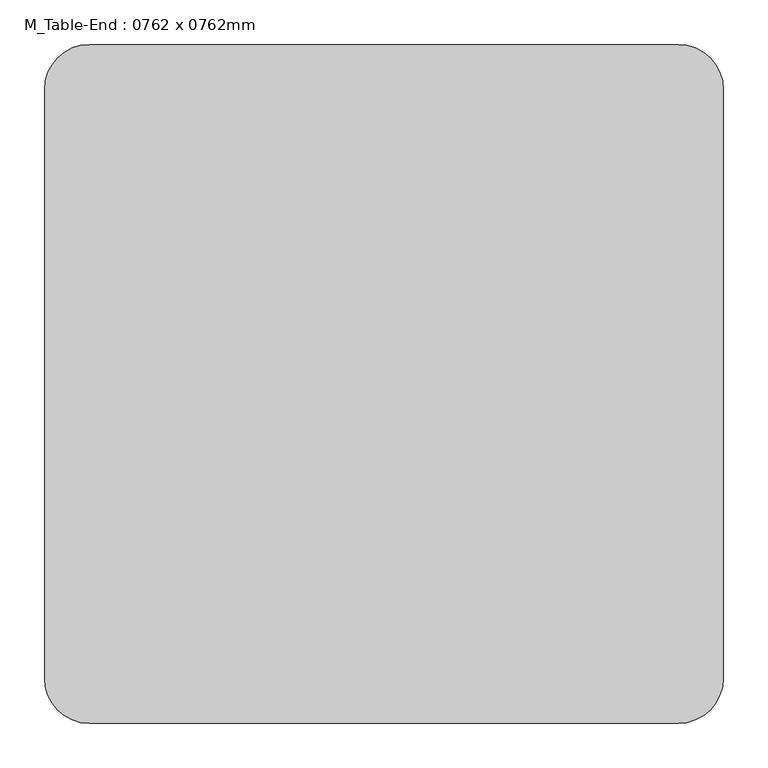
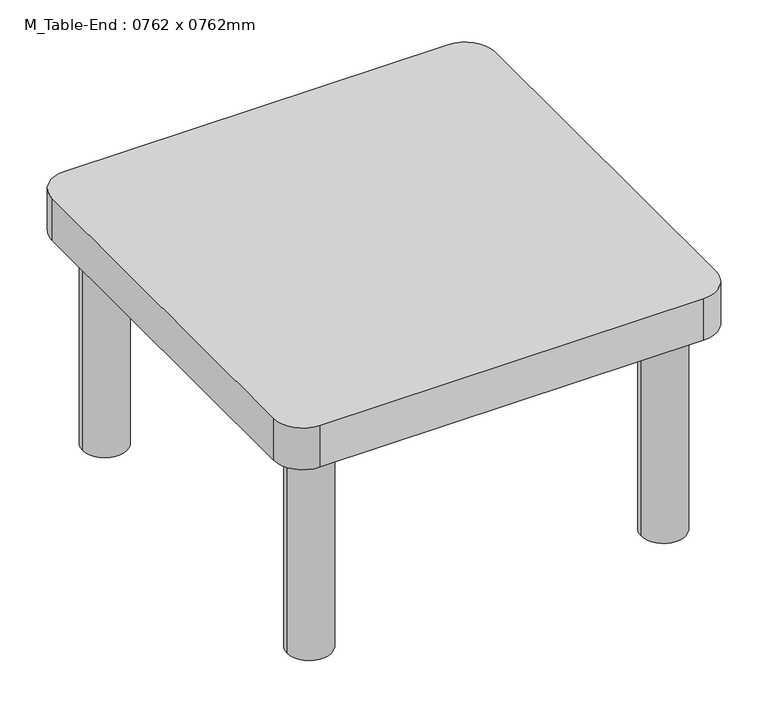
"""IFC4 building model written with IfcOpenShell, lengths in millimetres: furniture geometry, M_Table-End : 0762 x 0762mm."""

from ifc_helpers import new_model, si_unit, point, frame, frame_2d, origin, origin_with_axes, place, context, project, spatial, polyline, circle_curve, trimmed, segment, composite_curve, outline, extrude, source, transform, mapped, element, save


def m_table_end_0762_x_0762mm_a995287c(model_context):
    return source(origin(), model_context, "Body", "SweptSolid", [
        extrude(outline(composite_curve([segment(polyline([(714.9336303, -228.6), (54.5336303, -228.6)]), True, "CONTINUOUS"), segment(trimmed(circle_curve(frame_2d((54.5336303, -177.8)), 50.8), [point((54.5336303, -228.6))], [point((3.7336303, -177.8))], False, "CARTESIAN"), True, "CONTINUOUS"), segment(polyline([(3.7336303, -177.8), (3.7336303, 482.6)]), True, "CONTINUOUS"), segment(trimmed(circle_curve(frame_2d((54.5336303, 482.6)), 50.8), [point((3.7336303, 482.6))], [point((54.5336303, 533.4))], False, "CARTESIAN"), True, "CONTINUOUS"), segment(polyline([(54.5336303, 533.4), (714.9336303, 533.4)]), True, "CONTINUOUS"), segment(trimmed(circle_curve(frame_2d((714.9336303, 482.6)), 50.8), [point((714.9336303, 533.4))], [point((765.7336303, 482.6))], False, "CARTESIAN"), True, "CONTINUOUS"), segment(polyline([(765.7336303, 482.6), (765.7336303, -177.8)]), True, "CONTINUOUS"), segment(trimmed(circle_curve(frame_2d((714.9336303, -177.8)), 50.8), [point((765.7336303, -177.8))], [point((714.9336303, -228.6))], False, "CARTESIAN"), True, "CONTINUOUS")], self_intersect=False)), frame((0.0, 0.0, 380.8), z_axis=(0.0, 0.0, 1.0), x_axis=(1.0, 0.0, 0.0)), (0.0, 0.0, 1.0), 76.2),
        extrude(outline(composite_curve([segment(trimmed(circle_curve(frame_2d((79.9336303, 457.2)), 38.1), [point((41.8336303, 457.2))], [point((118.0336303, 457.2))], False, "CARTESIAN"), True, "CONTINUOUS"), segment(trimmed(circle_curve(frame_2d((79.9336303, 457.2)), 38.1), [point((118.0336303, 457.2))], [point((41.8336303, 457.2))], False, "CARTESIAN"), True, "CONTINUOUS")], self_intersect=False)), origin_with_axes(), (0.0, 0.0, 1.0), 380.8),
        extrude(outline(composite_curve([segment(trimmed(circle_curve(frame_2d((79.9336303, -152.4)), 38.1), [point((41.8336303, -152.4))], [point((118.0336303, -152.4))], False, "CARTESIAN"), True, "CONTINUOUS"), segment(trimmed(circle_curve(frame_2d((79.9336303, -152.4)), 38.1), [point((118.0336303, -152.4))], [point((41.8336303, -152.4))], False, "CARTESIAN"), True, "CONTINUOUS")], self_intersect=False)), origin_with_axes(), (0.0, 0.0, 1.0), 380.8),
        extrude(outline(composite_curve([segment(trimmed(circle_curve(frame_2d((689.5336303, -152.4)), 38.1), [point((651.4336303, -152.4))], [point((727.6336303, -152.4))], False, "CARTESIAN"), True, "CONTINUOUS"), segment(trimmed(circle_curve(frame_2d((689.5336303, -152.4)), 38.1), [point((727.6336303, -152.4))], [point((651.4336303, -152.4))], False, "CARTESIAN"), True, "CONTINUOUS")], self_intersect=False)), origin_with_axes(), (0.0, 0.0, 1.0), 380.8),
        extrude(outline(composite_curve([segment(trimmed(circle_curve(frame_2d((689.5336303, 457.2)), 38.1), [point((651.4336303, 457.2))], [point((727.6336303, 457.2))], False, "CARTESIAN"), True, "CONTINUOUS"), segment(trimmed(circle_curve(frame_2d((689.5336303, 457.2)), 38.1), [point((727.6336303, 457.2))], [point((651.4336303, 457.2))], False, "CARTESIAN"), True, "CONTINUOUS")], self_intersect=False)), origin_with_axes(), (0.0, 0.0, 1.0), 380.8),
    ])


if __name__ == "__main__":
    model = new_model("IFC4")
    model_context = context("Model", 3, world=origin())
    ifc_project = project(units=[si_unit("LENGTHUNIT", "METRE", prefix="MILLI")], contexts=[model_context])
    site = spatial("IfcSite", under=ifc_project)
    building = spatial("IfcBuilding", under=site)
    placement = place(None, origin())
    m_table_end_0762_x_0762mm_shape = m_table_end_0762_x_0762mm_a995287c(model_context)
    element("IfcFurniture", 1, ObjectType="M_Table-End : 0762 x 0762mm", at=placement, inside=building, context=model_context, shape_type="MappedRepresentation", body=[
        mapped(m_table_end_0762_x_0762mm_shape, transform((0.0, 0.0, 0.0), x_axis=(1.0, 0.0, 0.0), y_axis=(0.0, 1.0, 0.0), z_axis=(0.0, 0.0, 1.0))),
    ])
    save(model, "model.ifc")
